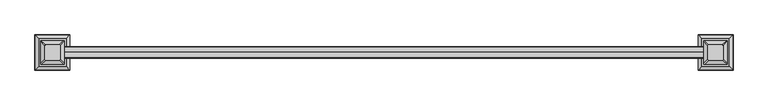
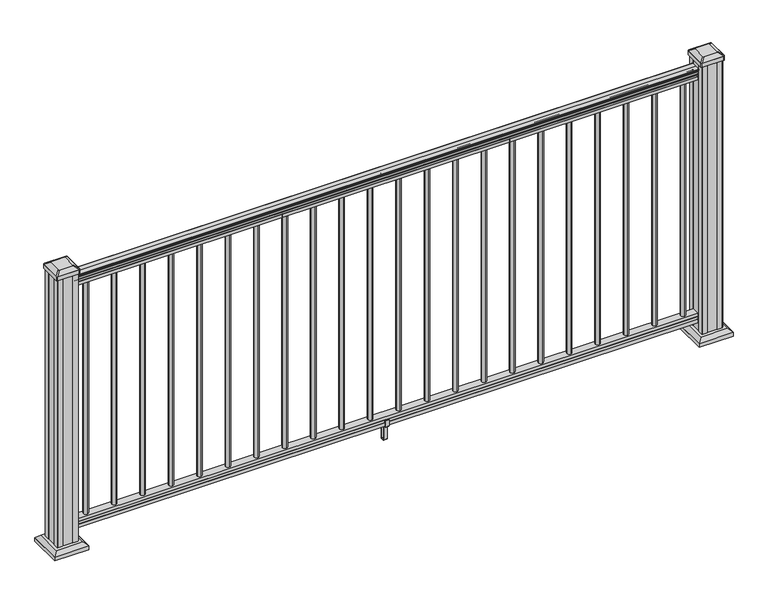
"""IFC4 building model written with IfcOpenShell, lengths in millimetres: railing geometry."""

from ifc_helpers import new_model, si_unit, point, frame, frame_2d, origin, origin_with_axes, place, context, project, spatial, polyline, circle_curve, trimmed, segment, composite_curve, outline, extrude, faceted_brep, source, transform, mapped, element, save
from ifc_brep_helpers import plane_surface, extruded_surface, advanced_brep


def railing_15a88541(model_context):
    return source(origin(), model_context, "Body", "SolidModel", [
        extrude(outline(composite_curve([segment(trimmed(circle_curve(frame_2d((-22197.9771224, 1090.8043297)), 1.2869144), [point((-22196.6902081, 1090.8043297))], [point((-22199.2640368, 1090.8043297))], False, "CARTESIAN"), True, "CONTINUOUS"), segment(polyline([(-22199.2640368, 1090.8043297), (-22199.2640368, 1080.147013), (-22198.2480368, 1079.131013), (-22198.2480368, 1066.8), (-22229.9980368, 1066.8), (-22229.9980368, 1079.2888283), (-22228.9820368, 1080.3048283), (-22228.9820368, 1090.8043297)]), True, "CONTINUOUS"), segment(trimmed(circle_curve(frame_2d((-22230.2689512, 1090.8043297)), 1.2869144), [point((-22228.9820368, 1090.8043297))], [point((-22231.5558656, 1090.8043297))], False, "CARTESIAN"), True, "CONTINUOUS"), segment(polyline([(-22231.5558656, 1090.8043297), (-22231.5558656, 1092.692412)]), True, "CONTINUOUS"), segment(trimmed(circle_curve(frame_2d((-22225.2411123, 1098.4506383)), 8.545951), [point((-22231.5558656, 1092.692412))], [point((-22232.6860518, 1094.2546695))], False, "CARTESIAN"), True, "CONTINUOUS"), segment(trimmed(circle_curve(frame_2d((-22225.6781752, 1097.8636577)), 7.882584), [point((-22232.6860518, 1094.2546695))], [point((-22232.6860518, 1101.4726458))], False, "CARTESIAN"), True, "CONTINUOUS"), segment(trimmed(circle_curve(frame_2d((-22236.1914994, 1103.7112527)), 4.1592695), [point((-22232.6860518, 1101.4726458))], [point((-22232.0367954, 1103.9060812))], True, "CARTESIAN"), True, "CONTINUOUS"), segment(trimmed(circle_curve(frame_2d((-22237.4788059, 1103.6508864)), 5.4479907), [point((-22232.0367954, 1103.9060812))], [point((-22234.5367954, 1108.2362083))], True, "CARTESIAN"), True, "CONTINUOUS"), segment(trimmed(circle_curve(frame_2d((-22236.2456475, 1108.233395)), 1.7088543), [point((-22234.5367954, 1108.2362083))], [point((-22235.9461379, 1109.9157972))], True, "CARTESIAN"), True, "CONTINUOUS"), segment(trimmed(circle_curve(frame_2d((-22234.6287474, 1111.0205318)), 1.7192895), [point((-22235.9461379, 1109.9157972))], [point((-22236.3480369, 1111.0205318))], False, "CARTESIAN"), True, "CONTINUOUS"), segment(polyline([(-22236.3480369, 1111.0205318), (-22236.3480368, 1112.3608158)]), True, "CONTINUOUS"), segment(trimmed(circle_curve(frame_2d((-22234.7945896, 1112.3608158)), 1.5534472), [point((-22236.3480368, 1112.3608158))], [point((-22234.7945896, 1113.914263))], False, "CARTESIAN"), True, "CONTINUOUS"), segment(polyline([(-22234.7945896, 1113.914263), (-22214.1230368, 1113.914263), (-22193.451484, 1113.914263)]), True, "CONTINUOUS"), segment(trimmed(circle_curve(frame_2d((-22193.451484, 1112.3608158)), 1.5534472), [point((-22193.451484, 1113.914263))], [point((-22191.8980368, 1112.3608158))], False, "CARTESIAN"), True, "CONTINUOUS"), segment(polyline([(-22191.8980368, 1112.3608158), (-22191.8980368, 1111.0205318)]), True, "CONTINUOUS"), segment(trimmed(circle_curve(frame_2d((-22193.6173262, 1111.0205318)), 1.7192895), [point((-22191.8980368, 1111.0205318))], [point((-22192.2999357, 1109.9157972))], False, "CARTESIAN"), True, "CONTINUOUS"), segment(trimmed(circle_curve(frame_2d((-22192.0004262, 1108.233395)), 1.7088543), [point((-22192.2999357, 1109.9157972))], [point((-22193.7092782, 1108.2362083))], True, "CARTESIAN"), True, "CONTINUOUS"), segment(trimmed(circle_curve(frame_2d((-22190.7672677, 1103.6508864)), 5.4479907), [point((-22193.7092782, 1108.2362083))], [point((-22196.2092782, 1103.9060812))], True, "CARTESIAN"), True, "CONTINUOUS"), segment(trimmed(circle_curve(frame_2d((-22192.0545743, 1103.7112527)), 4.1592695), [point((-22196.2092782, 1103.9060812))], [point((-22195.5600218, 1101.4726458))], True, "CARTESIAN"), True, "CONTINUOUS"), segment(trimmed(circle_curve(frame_2d((-22202.5678984, 1097.8636577)), 7.882584), [point((-22195.5600218, 1101.4726458))], [point((-22195.5600218, 1094.2546695))], False, "CARTESIAN"), True, "CONTINUOUS"), segment(trimmed(circle_curve(frame_2d((-22203.0049614, 1098.4506383)), 8.545951), [point((-22195.5600218, 1094.2546695))], [point((-22196.6902081, 1092.692412))], False, "CARTESIAN"), True, "CONTINUOUS"), segment(polyline([(-22196.6902081, 1092.692412), (-22196.6902081, 1090.8043297)]), True, "CONTINUOUS")], self_intersect=False)), frame((13259.84856, 0.0, 0.0), z_axis=(1.0, 0.0, 0.0), x_axis=(0.0, 1.0, 0.0)), (0.0, 0.0, 1.0), 2438.4),
        extrude(outline(polyline([(-22198.2105499, 76.0541976), (-22198.2105499, 63.5), (-22229.9605499, 63.5), (-22229.9605499, 76.0375508), (-22228.9445499, 77.3858283), (-22228.9445499, 87.6975248), (-22229.9605499, 89.0458024), (-22229.9605499, 101.5958781), (-22198.2105499, 101.5958781), (-22198.2105499, 89.0624492), (-22199.2265499, 87.7141717), (-22199.2265499, 77.3546183), (-22198.2105499, 76.0541976)])), frame((13259.84856, 0.0, 0.0), z_axis=(1.0, 0.0, 0.0), x_axis=(0.0, 1.0, 0.0)), (0.0, 0.0, 1.0), 2438.4),
        extrude(outline(composite_curve([segment(trimmed(circle_curve(frame_2d((15648.46456, -22214.1230368)), 9.525), [point((15648.46456, -22204.5980368))], [point((15657.98956, -22214.1230368))], False, "CARTESIAN"), True, "CONTINUOUS"), segment(trimmed(circle_curve(frame_2d((15648.46456, -22214.1230368)), 9.525), [point((15657.98956, -22214.1230368))], [point((15648.46456, -22223.6480368))], False, "CARTESIAN"), True, "CONTINUOUS"), segment(trimmed(circle_curve(frame_2d((15648.46456, -22214.1230368)), 9.525), [point((15648.46456, -22223.6480368))], [point((15638.93956, -22214.1230368))], False, "CARTESIAN"), True, "CONTINUOUS"), segment(trimmed(circle_curve(frame_2d((15648.46456, -22214.1230368)), 9.525), [point((15638.93956, -22214.1230368))], [point((15648.46456, -22204.5980368))], False, "CARTESIAN"), True, "CONTINUOUS")], self_intersect=False)), frame((0.0, 0.0, 101.5958781), z_axis=(0.0, 0.0, 1.0), x_axis=(1.0, 0.0, 0.0)), (0.0, 0.0, 1.0), 965.2041219),
        extrude(outline(composite_curve([segment(trimmed(circle_curve(frame_2d((15537.21256, -22214.1230368)), 9.525), [point((15537.21256, -22204.5980368))], [point((15546.73756, -22214.1230368))], False, "CARTESIAN"), True, "CONTINUOUS"), segment(trimmed(circle_curve(frame_2d((15537.21256, -22214.1230368)), 9.525), [point((15546.73756, -22214.1230368))], [point((15537.21256, -22223.6480368))], False, "CARTESIAN"), True, "CONTINUOUS"), segment(trimmed(circle_curve(frame_2d((15537.21256, -22214.1230368)), 9.525), [point((15537.21256, -22223.6480368))], [point((15527.68756, -22214.1230368))], False, "CARTESIAN"), True, "CONTINUOUS"), segment(trimmed(circle_curve(frame_2d((15537.21256, -22214.1230368)), 9.525), [point((15527.68756, -22214.1230368))], [point((15537.21256, -22204.5980368))], False, "CARTESIAN"), True, "CONTINUOUS")], self_intersect=False)), frame((0.0, 0.0, 101.5958781), z_axis=(0.0, 0.0, 1.0), x_axis=(1.0, 0.0, 0.0)), (0.0, 0.0, 1.0), 965.2041219),
        extrude(outline(composite_curve([segment(trimmed(circle_curve(frame_2d((15425.96056, -22214.1230368)), 9.525), [point((15425.96056, -22204.5980368))], [point((15435.48556, -22214.1230368))], False, "CARTESIAN"), True, "CONTINUOUS"), segment(trimmed(circle_curve(frame_2d((15425.96056, -22214.1230368)), 9.525), [point((15435.48556, -22214.1230368))], [point((15425.96056, -22223.6480368))], False, "CARTESIAN"), True, "CONTINUOUS"), segment(trimmed(circle_curve(frame_2d((15425.96056, -22214.1230368)), 9.525), [point((15425.96056, -22223.6480368))], [point((15416.43556, -22214.1230368))], False, "CARTESIAN"), True, "CONTINUOUS"), segment(trimmed(circle_curve(frame_2d((15425.96056, -22214.1230368)), 9.525), [point((15416.43556, -22214.1230368))], [point((15425.96056, -22204.5980368))], False, "CARTESIAN"), True, "CONTINUOUS")], self_intersect=False)), frame((0.0, 0.0, 101.5958781), z_axis=(0.0, 0.0, 1.0), x_axis=(1.0, 0.0, 0.0)), (0.0, 0.0, 1.0), 965.2041219),
        extrude(outline(composite_curve([segment(trimmed(circle_curve(frame_2d((15314.70856, -22214.1230368)), 9.525), [point((15314.70856, -22204.5980368))], [point((15324.23356, -22214.1230368))], False, "CARTESIAN"), True, "CONTINUOUS"), segment(trimmed(circle_curve(frame_2d((15314.70856, -22214.1230368)), 9.525), [point((15324.23356, -22214.1230368))], [point((15314.70856, -22223.6480368))], False, "CARTESIAN"), True, "CONTINUOUS"), segment(trimmed(circle_curve(frame_2d((15314.70856, -22214.1230368)), 9.525), [point((15314.70856, -22223.6480368))], [point((15305.18356, -22214.1230368))], False, "CARTESIAN"), True, "CONTINUOUS"), segment(trimmed(circle_curve(frame_2d((15314.70856, -22214.1230368)), 9.525), [point((15305.18356, -22214.1230368))], [point((15314.70856, -22204.5980368))], False, "CARTESIAN"), True, "CONTINUOUS")], self_intersect=False)), frame((0.0, 0.0, 101.5958781), z_axis=(0.0, 0.0, 1.0), x_axis=(1.0, 0.0, 0.0)), (0.0, 0.0, 1.0), 965.2041219),
        extrude(outline(composite_curve([segment(trimmed(circle_curve(frame_2d((15203.45656, -22214.1230368)), 9.525), [point((15203.45656, -22204.5980368))], [point((15212.98156, -22214.1230368))], False, "CARTESIAN"), True, "CONTINUOUS"), segment(trimmed(circle_curve(frame_2d((15203.45656, -22214.1230368)), 9.525), [point((15212.98156, -22214.1230368))], [point((15203.45656, -22223.6480368))], False, "CARTESIAN"), True, "CONTINUOUS"), segment(trimmed(circle_curve(frame_2d((15203.45656, -22214.1230368)), 9.525), [point((15203.45656, -22223.6480368))], [point((15193.93156, -22214.1230368))], False, "CARTESIAN"), True, "CONTINUOUS"), segment(trimmed(circle_curve(frame_2d((15203.45656, -22214.1230368)), 9.525), [point((15193.93156, -22214.1230368))], [point((15203.45656, -22204.5980368))], False, "CARTESIAN"), True, "CONTINUOUS")], self_intersect=False)), frame((0.0, 0.0, 101.5958781), z_axis=(0.0, 0.0, 1.0), x_axis=(1.0, 0.0, 0.0)), (0.0, 0.0, 1.0), 965.2041219),
        extrude(outline(composite_curve([segment(trimmed(circle_curve(frame_2d((15092.20456, -22214.1230368)), 9.525), [point((15092.20456, -22204.5980368))], [point((15101.72956, -22214.1230368))], False, "CARTESIAN"), True, "CONTINUOUS"), segment(trimmed(circle_curve(frame_2d((15092.20456, -22214.1230368)), 9.525), [point((15101.72956, -22214.1230368))], [point((15092.20456, -22223.6480368))], False, "CARTESIAN"), True, "CONTINUOUS"), segment(trimmed(circle_curve(frame_2d((15092.20456, -22214.1230368)), 9.525), [point((15092.20456, -22223.6480368))], [point((15082.67956, -22214.1230368))], False, "CARTESIAN"), True, "CONTINUOUS"), segment(trimmed(circle_curve(frame_2d((15092.20456, -22214.1230368)), 9.525), [point((15082.67956, -22214.1230368))], [point((15092.20456, -22204.5980368))], False, "CARTESIAN"), True, "CONTINUOUS")], self_intersect=False)), frame((0.0, 0.0, 101.5958781), z_axis=(0.0, 0.0, 1.0), x_axis=(1.0, 0.0, 0.0)), (0.0, 0.0, 1.0), 965.2041219),
        extrude(outline(composite_curve([segment(trimmed(circle_curve(frame_2d((14980.95256, -22214.1230368)), 9.525), [point((14980.95256, -22204.5980368))], [point((14990.47756, -22214.1230368))], False, "CARTESIAN"), True, "CONTINUOUS"), segment(trimmed(circle_curve(frame_2d((14980.95256, -22214.1230368)), 9.525), [point((14990.47756, -22214.1230368))], [point((14980.95256, -22223.6480368))], False, "CARTESIAN"), True, "CONTINUOUS"), segment(trimmed(circle_curve(frame_2d((14980.95256, -22214.1230368)), 9.525), [point((14980.95256, -22223.6480368))], [point((14971.42756, -22214.1230368))], False, "CARTESIAN"), True, "CONTINUOUS"), segment(trimmed(circle_curve(frame_2d((14980.95256, -22214.1230368)), 9.525), [point((14971.42756, -22214.1230368))], [point((14980.95256, -22204.5980368))], False, "CARTESIAN"), True, "CONTINUOUS")], self_intersect=False)), frame((0.0, 0.0, 101.5958781), z_axis=(0.0, 0.0, 1.0), x_axis=(1.0, 0.0, 0.0)), (0.0, 0.0, 1.0), 965.2041219),
        extrude(outline(composite_curve([segment(trimmed(circle_curve(frame_2d((14869.70056, -22214.1230368)), 9.525), [point((14869.70056, -22204.5980368))], [point((14879.22556, -22214.1230368))], False, "CARTESIAN"), True, "CONTINUOUS"), segment(trimmed(circle_curve(frame_2d((14869.70056, -22214.1230368)), 9.525), [point((14879.22556, -22214.1230368))], [point((14869.70056, -22223.6480368))], False, "CARTESIAN"), True, "CONTINUOUS"), segment(trimmed(circle_curve(frame_2d((14869.70056, -22214.1230368)), 9.525), [point((14869.70056, -22223.6480368))], [point((14860.17556, -22214.1230368))], False, "CARTESIAN"), True, "CONTINUOUS"), segment(trimmed(circle_curve(frame_2d((14869.70056, -22214.1230368)), 9.525), [point((14860.17556, -22214.1230368))], [point((14869.70056, -22204.5980368))], False, "CARTESIAN"), True, "CONTINUOUS")], self_intersect=False)), frame((0.0, 0.0, 101.5958781), z_axis=(0.0, 0.0, 1.0), x_axis=(1.0, 0.0, 0.0)), (0.0, 0.0, 1.0), 965.2041219),
        extrude(outline(composite_curve([segment(trimmed(circle_curve(frame_2d((14758.44856, -22214.1230368)), 9.525), [point((14758.44856, -22204.5980368))], [point((14767.97356, -22214.1230368))], False, "CARTESIAN"), True, "CONTINUOUS"), segment(trimmed(circle_curve(frame_2d((14758.44856, -22214.1230368)), 9.525), [point((14767.97356, -22214.1230368))], [point((14758.44856, -22223.6480368))], False, "CARTESIAN"), True, "CONTINUOUS"), segment(trimmed(circle_curve(frame_2d((14758.44856, -22214.1230368)), 9.525), [point((14758.44856, -22223.6480368))], [point((14748.92356, -22214.1230368))], False, "CARTESIAN"), True, "CONTINUOUS"), segment(trimmed(circle_curve(frame_2d((14758.44856, -22214.1230368)), 9.525), [point((14748.92356, -22214.1230368))], [point((14758.44856, -22204.5980368))], False, "CARTESIAN"), True, "CONTINUOUS")], self_intersect=False)), frame((0.0, 0.0, 101.5958781), z_axis=(0.0, 0.0, 1.0), x_axis=(1.0, 0.0, 0.0)), (0.0, 0.0, 1.0), 965.2041219),
        extrude(outline(composite_curve([segment(trimmed(circle_curve(frame_2d((14647.19656, -22214.1230368)), 9.525), [point((14647.19656, -22204.5980368))], [point((14656.72156, -22214.1230368))], False, "CARTESIAN"), True, "CONTINUOUS"), segment(trimmed(circle_curve(frame_2d((14647.19656, -22214.1230368)), 9.525), [point((14656.72156, -22214.1230368))], [point((14647.19656, -22223.6480368))], False, "CARTESIAN"), True, "CONTINUOUS"), segment(trimmed(circle_curve(frame_2d((14647.19656, -22214.1230368)), 9.525), [point((14647.19656, -22223.6480368))], [point((14637.67156, -22214.1230368))], False, "CARTESIAN"), True, "CONTINUOUS"), segment(trimmed(circle_curve(frame_2d((14647.19656, -22214.1230368)), 9.525), [point((14637.67156, -22214.1230368))], [point((14647.19656, -22204.5980368))], False, "CARTESIAN"), True, "CONTINUOUS")], self_intersect=False)), frame((0.0, 0.0, 101.5958781), z_axis=(0.0, 0.0, 1.0), x_axis=(1.0, 0.0, 0.0)), (0.0, 0.0, 1.0), 965.2041219),
        extrude(outline(composite_curve([segment(trimmed(circle_curve(frame_2d((14535.94456, -22214.1230368)), 9.525), [point((14535.94456, -22204.5980368))], [point((14545.46956, -22214.1230368))], False, "CARTESIAN"), True, "CONTINUOUS"), segment(trimmed(circle_curve(frame_2d((14535.94456, -22214.1230368)), 9.525), [point((14545.46956, -22214.1230368))], [point((14535.94456, -22223.6480368))], False, "CARTESIAN"), True, "CONTINUOUS"), segment(trimmed(circle_curve(frame_2d((14535.94456, -22214.1230368)), 9.525), [point((14535.94456, -22223.6480368))], [point((14526.41956, -22214.1230368))], False, "CARTESIAN"), True, "CONTINUOUS"), segment(trimmed(circle_curve(frame_2d((14535.94456, -22214.1230368)), 9.525), [point((14526.41956, -22214.1230368))], [point((14535.94456, -22204.5980368))], False, "CARTESIAN"), True, "CONTINUOUS")], self_intersect=False)), frame((0.0, 0.0, 101.5958781), z_axis=(0.0, 0.0, 1.0), x_axis=(1.0, 0.0, 0.0)), (0.0, 0.0, 1.0), 965.2041219),
        extrude(outline(polyline([(-22232.2840356, 88.7203979), (-22230.252036, 88.7203979), (-22229.2360363, 87.7043953), (-22229.2360363, 77.2686081), (-22230.252036, 76.2526073), (-22230.252036, 64.262001), (-22229.4900369, 63.5000019), (-22198.7560358, 63.5000019), (-22197.9940366, 64.262001), (-22197.9940366, 76.2526073), (-22199.0100364, 77.2686081), (-22199.0100364, 87.7043953), (-22197.9940366, 88.7203979), (-22195.962037, 88.7203979), (-22195.200036, 87.9583969), (-22195.200036, 61.4680023), (-22195.962037, 60.7060013), (-22205.9950361, 60.7060013), (-22206.7570362, 59.9440012), (-22206.7570362, 0.762001), (-22207.5190372, 0.0), (-22220.7270364, 0.0), (-22221.4890365, 0.7620001), (-22221.4890365, 59.9440012), (-22222.2510366, 60.7060013), (-22232.2840356, 60.7060013), (-22233.0460367, 61.4680023), (-22233.0460367, 87.9583969), (-22232.2840356, 88.7203979)]), holes=[polyline([(-22210.6940364, 60.7060013), (-22217.5520362, 60.7060013), (-22218.3140363, 59.9440012), (-22218.3140363, 3.9370003), (-22217.5520391, 3.1750031), (-22210.6940364, 3.1750031), (-22209.9320363, 3.9370031), (-22209.9320363, 59.9440012), (-22210.6940364, 60.7060013)])]), frame((14472.95256, 0.0, 0.0), z_axis=(1.0, 0.0, 0.0), x_axis=(0.0, 1.0, 0.0)), (0.0, 0.0, 1.0), 14.732),
        extrude(outline(composite_curve([segment(trimmed(circle_curve(frame_2d((14424.69256, -22214.1230368)), 9.525), [point((14424.69256, -22204.5980368))], [point((14434.21756, -22214.1230368))], False, "CARTESIAN"), True, "CONTINUOUS"), segment(trimmed(circle_curve(frame_2d((14424.69256, -22214.1230368)), 9.525), [point((14434.21756, -22214.1230368))], [point((14424.69256, -22223.6480368))], False, "CARTESIAN"), True, "CONTINUOUS"), segment(trimmed(circle_curve(frame_2d((14424.69256, -22214.1230368)), 9.525), [point((14424.69256, -22223.6480368))], [point((14415.16756, -22214.1230368))], False, "CARTESIAN"), True, "CONTINUOUS"), segment(trimmed(circle_curve(frame_2d((14424.69256, -22214.1230368)), 9.525), [point((14415.16756, -22214.1230368))], [point((14424.69256, -22204.5980368))], False, "CARTESIAN"), True, "CONTINUOUS")], self_intersect=False)), frame((0.0, 0.0, 101.5958781), z_axis=(0.0, 0.0, 1.0), x_axis=(1.0, 0.0, 0.0)), (0.0, 0.0, 1.0), 965.2041219),
        extrude(outline(composite_curve([segment(trimmed(circle_curve(frame_2d((14313.44056, -22214.1230368)), 9.525), [point((14313.44056, -22204.5980368))], [point((14322.96556, -22214.1230368))], False, "CARTESIAN"), True, "CONTINUOUS"), segment(trimmed(circle_curve(frame_2d((14313.44056, -22214.1230368)), 9.525), [point((14322.96556, -22214.1230368))], [point((14313.44056, -22223.6480368))], False, "CARTESIAN"), True, "CONTINUOUS"), segment(trimmed(circle_curve(frame_2d((14313.44056, -22214.1230368)), 9.525), [point((14313.44056, -22223.6480368))], [point((14303.91556, -22214.1230368))], False, "CARTESIAN"), True, "CONTINUOUS"), segment(trimmed(circle_curve(frame_2d((14313.44056, -22214.1230368)), 9.525), [point((14303.91556, -22214.1230368))], [point((14313.44056, -22204.5980368))], False, "CARTESIAN"), True, "CONTINUOUS")], self_intersect=False)), frame((0.0, 0.0, 101.5958781), z_axis=(0.0, 0.0, 1.0), x_axis=(1.0, 0.0, 0.0)), (0.0, 0.0, 1.0), 965.2041219),
        extrude(outline(composite_curve([segment(trimmed(circle_curve(frame_2d((14202.18856, -22214.1230368)), 9.525), [point((14202.18856, -22204.5980368))], [point((14211.71356, -22214.1230368))], False, "CARTESIAN"), True, "CONTINUOUS"), segment(trimmed(circle_curve(frame_2d((14202.18856, -22214.1230368)), 9.525), [point((14211.71356, -22214.1230368))], [point((14202.18856, -22223.6480368))], False, "CARTESIAN"), True, "CONTINUOUS"), segment(trimmed(circle_curve(frame_2d((14202.18856, -22214.1230368)), 9.525), [point((14202.18856, -22223.6480368))], [point((14192.66356, -22214.1230368))], False, "CARTESIAN"), True, "CONTINUOUS"), segment(trimmed(circle_curve(frame_2d((14202.18856, -22214.1230368)), 9.525), [point((14192.66356, -22214.1230368))], [point((14202.18856, -22204.5980368))], False, "CARTESIAN"), True, "CONTINUOUS")], self_intersect=False)), frame((0.0, 0.0, 101.5958781), z_axis=(0.0, 0.0, 1.0), x_axis=(1.0, 0.0, 0.0)), (0.0, 0.0, 1.0), 965.2041219),
        extrude(outline(composite_curve([segment(trimmed(circle_curve(frame_2d((14090.93656, -22214.1230368)), 9.525), [point((14090.93656, -22204.5980368))], [point((14100.46156, -22214.1230368))], False, "CARTESIAN"), True, "CONTINUOUS"), segment(trimmed(circle_curve(frame_2d((14090.93656, -22214.1230368)), 9.525), [point((14100.46156, -22214.1230368))], [point((14090.93656, -22223.6480368))], False, "CARTESIAN"), True, "CONTINUOUS"), segment(trimmed(circle_curve(frame_2d((14090.93656, -22214.1230368)), 9.525), [point((14090.93656, -22223.6480368))], [point((14081.41156, -22214.1230368))], False, "CARTESIAN"), True, "CONTINUOUS"), segment(trimmed(circle_curve(frame_2d((14090.93656, -22214.1230368)), 9.525), [point((14081.41156, -22214.1230368))], [point((14090.93656, -22204.5980368))], False, "CARTESIAN"), True, "CONTINUOUS")], self_intersect=False)), frame((0.0, 0.0, 101.5958781), z_axis=(0.0, 0.0, 1.0), x_axis=(1.0, 0.0, 0.0)), (0.0, 0.0, 1.0), 965.2041219),
        extrude(outline(composite_curve([segment(trimmed(circle_curve(frame_2d((13979.68456, -22214.1230368)), 9.525), [point((13979.68456, -22204.5980368))], [point((13989.20956, -22214.1230368))], False, "CARTESIAN"), True, "CONTINUOUS"), segment(trimmed(circle_curve(frame_2d((13979.68456, -22214.1230368)), 9.525), [point((13989.20956, -22214.1230368))], [point((13979.68456, -22223.6480368))], False, "CARTESIAN"), True, "CONTINUOUS"), segment(trimmed(circle_curve(frame_2d((13979.68456, -22214.1230368)), 9.525), [point((13979.68456, -22223.6480368))], [point((13970.15956, -22214.1230368))], False, "CARTESIAN"), True, "CONTINUOUS"), segment(trimmed(circle_curve(frame_2d((13979.68456, -22214.1230368)), 9.525), [point((13970.15956, -22214.1230368))], [point((13979.68456, -22204.5980368))], False, "CARTESIAN"), True, "CONTINUOUS")], self_intersect=False)), frame((0.0, 0.0, 101.5958781), z_axis=(0.0, 0.0, 1.0), x_axis=(1.0, 0.0, 0.0)), (0.0, 0.0, 1.0), 965.2041219),
        extrude(outline(composite_curve([segment(trimmed(circle_curve(frame_2d((13868.43256, -22214.1230368)), 9.525), [point((13868.43256, -22204.5980368))], [point((13877.95756, -22214.1230368))], False, "CARTESIAN"), True, "CONTINUOUS"), segment(trimmed(circle_curve(frame_2d((13868.43256, -22214.1230368)), 9.525), [point((13877.95756, -22214.1230368))], [point((13868.43256, -22223.6480368))], False, "CARTESIAN"), True, "CONTINUOUS"), segment(trimmed(circle_curve(frame_2d((13868.43256, -22214.1230368)), 9.525), [point((13868.43256, -22223.6480368))], [point((13858.90756, -22214.1230368))], False, "CARTESIAN"), True, "CONTINUOUS"), segment(trimmed(circle_curve(frame_2d((13868.43256, -22214.1230368)), 9.525), [point((13858.90756, -22214.1230368))], [point((13868.43256, -22204.5980368))], False, "CARTESIAN"), True, "CONTINUOUS")], self_intersect=False)), frame((0.0, 0.0, 101.5958781), z_axis=(0.0, 0.0, 1.0), x_axis=(1.0, 0.0, 0.0)), (0.0, 0.0, 1.0), 965.2041219),
        extrude(outline(composite_curve([segment(trimmed(circle_curve(frame_2d((13757.18056, -22214.1230368)), 9.525), [point((13757.18056, -22204.5980368))], [point((13766.70556, -22214.1230368))], False, "CARTESIAN"), True, "CONTINUOUS"), segment(trimmed(circle_curve(frame_2d((13757.18056, -22214.1230368)), 9.525), [point((13766.70556, -22214.1230368))], [point((13757.18056, -22223.6480368))], False, "CARTESIAN"), True, "CONTINUOUS"), segment(trimmed(circle_curve(frame_2d((13757.18056, -22214.1230368)), 9.525), [point((13757.18056, -22223.6480368))], [point((13747.65556, -22214.1230368))], False, "CARTESIAN"), True, "CONTINUOUS"), segment(trimmed(circle_curve(frame_2d((13757.18056, -22214.1230368)), 9.525), [point((13747.65556, -22214.1230368))], [point((13757.18056, -22204.5980368))], False, "CARTESIAN"), True, "CONTINUOUS")], self_intersect=False)), frame((0.0, 0.0, 101.5958781), z_axis=(0.0, 0.0, 1.0), x_axis=(1.0, 0.0, 0.0)), (0.0, 0.0, 1.0), 965.2041219),
        extrude(outline(composite_curve([segment(trimmed(circle_curve(frame_2d((13645.92856, -22214.1230368)), 9.525), [point((13645.92856, -22204.5980368))], [point((13655.45356, -22214.1230368))], False, "CARTESIAN"), True, "CONTINUOUS"), segment(trimmed(circle_curve(frame_2d((13645.92856, -22214.1230368)), 9.525), [point((13655.45356, -22214.1230368))], [point((13645.92856, -22223.6480368))], False, "CARTESIAN"), True, "CONTINUOUS"), segment(trimmed(circle_curve(frame_2d((13645.92856, -22214.1230368)), 9.525), [point((13645.92856, -22223.6480368))], [point((13636.40356, -22214.1230368))], False, "CARTESIAN"), True, "CONTINUOUS"), segment(trimmed(circle_curve(frame_2d((13645.92856, -22214.1230368)), 9.525), [point((13636.40356, -22214.1230368))], [point((13645.92856, -22204.5980368))], False, "CARTESIAN"), True, "CONTINUOUS")], self_intersect=False)), frame((0.0, 0.0, 101.5958781), z_axis=(0.0, 0.0, 1.0), x_axis=(1.0, 0.0, 0.0)), (0.0, 0.0, 1.0), 965.2041219),
        extrude(outline(composite_curve([segment(trimmed(circle_curve(frame_2d((13534.67656, -22214.1230368)), 9.525), [point((13534.67656, -22204.5980368))], [point((13544.20156, -22214.1230368))], False, "CARTESIAN"), True, "CONTINUOUS"), segment(trimmed(circle_curve(frame_2d((13534.67656, -22214.1230368)), 9.525), [point((13544.20156, -22214.1230368))], [point((13534.67656, -22223.6480368))], False, "CARTESIAN"), True, "CONTINUOUS"), segment(trimmed(circle_curve(frame_2d((13534.67656, -22214.1230368)), 9.525), [point((13534.67656, -22223.6480368))], [point((13525.15156, -22214.1230368))], False, "CARTESIAN"), True, "CONTINUOUS"), segment(trimmed(circle_curve(frame_2d((13534.67656, -22214.1230368)), 9.525), [point((13525.15156, -22214.1230368))], [point((13534.67656, -22204.5980368))], False, "CARTESIAN"), True, "CONTINUOUS")], self_intersect=False)), frame((0.0, 0.0, 101.5958781), z_axis=(0.0, 0.0, 1.0), x_axis=(1.0, 0.0, 0.0)), (0.0, 0.0, 1.0), 965.2041219),
        extrude(outline(composite_curve([segment(trimmed(circle_curve(frame_2d((13423.42456, -22214.1230368)), 9.525), [point((13423.42456, -22204.5980368))], [point((13432.94956, -22214.1230368))], False, "CARTESIAN"), True, "CONTINUOUS"), segment(trimmed(circle_curve(frame_2d((13423.42456, -22214.1230368)), 9.525), [point((13432.94956, -22214.1230368))], [point((13423.42456, -22223.6480368))], False, "CARTESIAN"), True, "CONTINUOUS"), segment(trimmed(circle_curve(frame_2d((13423.42456, -22214.1230368)), 9.525), [point((13423.42456, -22223.6480368))], [point((13413.89956, -22214.1230368))], False, "CARTESIAN"), True, "CONTINUOUS"), segment(trimmed(circle_curve(frame_2d((13423.42456, -22214.1230368)), 9.525), [point((13413.89956, -22214.1230368))], [point((13423.42456, -22204.5980368))], False, "CARTESIAN"), True, "CONTINUOUS")], self_intersect=False)), frame((0.0, 0.0, 101.5958781), z_axis=(0.0, 0.0, 1.0), x_axis=(1.0, 0.0, 0.0)), (0.0, 0.0, 1.0), 965.2041219),
        extrude(outline(composite_curve([segment(trimmed(circle_curve(frame_2d((13312.17256, -22214.1230368)), 9.525), [point((13312.17256, -22204.5980368))], [point((13321.69756, -22214.1230368))], False, "CARTESIAN"), True, "CONTINUOUS"), segment(trimmed(circle_curve(frame_2d((13312.17256, -22214.1230368)), 9.525), [point((13321.69756, -22214.1230368))], [point((13312.17256, -22223.6480368))], False, "CARTESIAN"), True, "CONTINUOUS"), segment(trimmed(circle_curve(frame_2d((13312.17256, -22214.1230368)), 9.525), [point((13312.17256, -22223.6480368))], [point((13302.64756, -22214.1230368))], False, "CARTESIAN"), True, "CONTINUOUS"), segment(trimmed(circle_curve(frame_2d((13312.17256, -22214.1230368)), 9.525), [point((13302.64756, -22214.1230368))], [point((13312.17256, -22204.5980368))], False, "CARTESIAN"), True, "CONTINUOUS")], self_intersect=False)), frame((0.0, 0.0, 101.5958781), z_axis=(0.0, 0.0, 1.0), x_axis=(1.0, 0.0, 0.0)), (0.0, 0.0, 1.0), 965.2041219),
        faceted_brep([(15687.0646225, -22161.5370993, 28.575), (15687.0646225, -22266.7089743, 28.575), (15792.2364975, -22266.7089743, 28.575), (15792.2364975, -22161.5370993, 28.575), (15673.0251694, -22147.4976462, 15.24), (15806.2759507, -22147.4976462, 15.24), (15806.2759507, -22280.7484274, 15.24), (15673.0251694, -22280.7484274, 15.24)], [[[0, 1, 2, 3]], [[4, 5, 6, 7]], [[4, 7, 1, 0]], [[7, 6, 2, 1]], [[6, 5, 3, 2]], [[5, 4, 0, 3]]]),
        extrude(outline(polyline([(15673.0251694, -22147.4976462), (15806.2759507, -22147.4976462), (15806.2759507, -22280.7484274), (15673.0251694, -22280.7484274), (15673.0251694, -22147.4976462)])), origin_with_axes(), (0.0, 0.0, 1.0), 15.24),
        advanced_brep(
        [(15710.678685, -22239.9199118, 1165.225), (15713.853685, -22243.0949118, 1165.225), (15765.447435, -22243.0949118, 1165.225), (15768.622435, -22239.9199118, 1165.225), (15768.622435, -22188.3261618, 1165.225), (15765.447435, -22185.1511618, 1165.225), (15713.853685, -22185.1511618, 1165.225), (15710.678685, -22188.3261618, 1165.225), (15694.40681, -22256.1917868, 1153.922), (15694.40681, -22172.0542868, 1153.922), (15697.58181, -22168.8792868, 1153.922), (15781.71931, -22168.8792868, 1153.922), (15784.89431, -22172.0542868, 1153.922), (15784.89431, -22256.1917868, 1153.922), (15781.71931, -22259.3667868, 1153.922), (15697.58181, -22259.3667868, 1153.922)],
        [
            (0, 1, circle_curve(frame((15713.853685, -22239.9199118, 1165.225), z_axis=(0.0, 0.0, 1.0), x_axis=(1.0, 0.0, 0.0)), 3.175)),
            (1, 2),
            (2, 3, circle_curve(frame((15765.447435, -22239.9199118, 1165.225), z_axis=(0.0, 0.0, 1.0), x_axis=(1.0, 0.0, 0.0)), 3.175)),
            (3, 4),
            (4, 5, circle_curve(frame((15765.447435, -22188.3261618, 1165.225), z_axis=(0.0, 0.0, 1.0), x_axis=(1.0, 0.0, 0.0)), 3.175)),
            (5, 6),
            (6, 7, circle_curve(frame((15713.853685, -22188.3261618, 1165.225), z_axis=(0.0, 0.0, 1.0), x_axis=(1.0, 0.0, 0.0)), 3.175)),
            (7, 0),
            (8, 9),
            (9, 10, circle_curve(frame((15697.58181, -22172.0542868, 1153.922), z_axis=(0.0, 0.0, -1.0), x_axis=(1.0, 0.0, 0.0)), 3.175)),
            (10, 11),
            (11, 12, circle_curve(frame((15781.71931, -22172.0542868, 1153.922), z_axis=(0.0, 0.0, -1.0), x_axis=(1.0, 0.0, 0.0)), 3.175)),
            (12, 13),
            (13, 14, circle_curve(frame((15781.71931, -22256.1917868, 1153.922), z_axis=(0.0, 0.0, -1.0), x_axis=(1.0, 0.0, 0.0)), 3.175)),
            (14, 15),
            (15, 8, circle_curve(frame((15697.58181, -22256.1917868, 1153.922), z_axis=(0.0, 0.0, -1.0), x_axis=(1.0, 0.0, 0.0)), 3.175)),
            (15, 1),
            (0, 8),
            (14, 2),
            (13, 3),
            (12, 4),
            (11, 5),
            (10, 6),
            (9, 7),
        ],
        [
            plane_surface(frame((15739.65056, -22214.1230368, 1165.225), z_axis=(0.0, 0.0, 1.0), x_axis=(0.0, -1.0, 0.0))),
            plane_surface(frame((15739.65056, -22214.1230368, 1153.922), z_axis=(0.0, 0.0, -1.0), x_axis=(0.0, -1.0, 0.0))),
            extruded_surface(trimmed(circle_curve(frame((15697.58181, -22256.1917868, 1153.922), z_axis=(0.0, 0.0, 1.0), x_axis=(1.0, 0.0, 0.0)), 3.175), [point((15694.40681, -22256.1917868, 1153.922))], [point((15697.58181, -22259.3667868, 1153.922))], True, "CARTESIAN"), (16.271875000000364, 16.271874999998545, 11.302999999999884), 25.63797263886542),
            plane_surface(frame((15739.65056, -22259.3667868, 1153.922), z_axis=(0.0, -0.5705009161540777, 0.8212969649690409), x_axis=(1.0, 0.0, 0.0))),
            extruded_surface(trimmed(circle_curve(frame((15781.71931, -22256.1917868, 1153.922), z_axis=(0.0, 0.0, 1.0), x_axis=(1.0, 0.0, 0.0)), 3.175), [point((15781.71931, -22259.3667868, 1153.922))], [point((15784.89431, -22256.1917868, 1153.922))], True, "CARTESIAN"), (-16.271875000000364, 16.271874999998545, 11.302999999999884), 25.63797263886542),
            plane_surface(frame((15784.89431, -22214.1230368, 1153.922), z_axis=(0.5705009161540291, 0.0, 0.8212969649690747), x_axis=(0.0, 1.0, 0.0))),
            extruded_surface(trimmed(circle_curve(frame((15781.71931, -22172.0542868, 1153.922), z_axis=(0.0, 0.0, 1.0), x_axis=(1.0, 0.0, 0.0)), 3.175), [point((15784.89431, -22172.0542868, 1153.922))], [point((15781.71931, -22168.8792868, 1153.922))], True, "CARTESIAN"), (-16.271875000000364, -16.271874999998545, 11.302999999999884), 25.63797263886542),
            plane_surface(frame((15739.65056, -22168.8792868, 1153.922), z_axis=(0.0, 0.5705009161540143, 0.821296964969085), x_axis=(-1.0, 0.0, 0.0))),
            extruded_surface(trimmed(circle_curve(frame((15697.58181, -22172.0542868, 1153.922), z_axis=(0.0, 0.0, 1.0), x_axis=(1.0, 0.0, 0.0)), 3.175), [point((15697.58181, -22168.8792868, 1153.922))], [point((15694.40681, -22172.0542868, 1153.922))], True, "CARTESIAN"), (16.271875000000364, -16.271874999998545, 11.302999999999884), 25.63797263886542),
            plane_surface(frame((15694.40681, -22214.1230368, 1153.922), z_axis=(-0.570500916154034, 0.0, 0.8212969649690713), x_axis=(0.0, -1.0, 0.0))),
        ],
        [
            (0, [[1, 2, 3, 4, 5, 6, 7, 8]]),
            (1, [[9, 10, 11, 12, 13, 14, 15, 16]]),
            (2, [[-16, 17, -1, 18]]),
            (3, [[-15, 19, -2, -17]]),
            (4, [[-14, 20, -3, -19]]),
            (5, [[-13, 21, -4, -20]]),
            (6, [[-12, 22, -5, -21]]),
            (7, [[-11, 23, -6, -22]]),
            (8, [[-10, 24, -7, -23]]),
            (9, [[-9, -18, -8, -24]]),
        ],
    ),
        extrude(outline(composite_curve([segment(polyline([(15694.40681, -22256.1917868), (15694.40681, -22172.0542868)]), True, "CONTINUOUS"), segment(trimmed(circle_curve(frame_2d((15697.58181, -22172.0542868)), 3.175), [point((15694.40681, -22172.0542868))], [point((15697.58181, -22168.8792868))], False, "CARTESIAN"), True, "CONTINUOUS"), segment(polyline([(15697.58181, -22168.8792868), (15781.71931, -22168.8792868)]), True, "CONTINUOUS"), segment(trimmed(circle_curve(frame_2d((15781.71931, -22172.0542868)), 3.175), [point((15781.71931, -22168.8792868))], [point((15784.89431, -22172.0542868))], False, "CARTESIAN"), True, "CONTINUOUS"), segment(polyline([(15784.89431, -22172.0542868), (15784.89431, -22256.1917868)]), True, "CONTINUOUS"), segment(trimmed(circle_curve(frame_2d((15781.71931, -22256.1917868)), 3.175), [point((15784.89431, -22256.1917868))], [point((15781.71931, -22259.3667868))], False, "CARTESIAN"), True, "CONTINUOUS"), segment(polyline([(15781.71931, -22259.3667868), (15697.58181, -22259.3667868)]), True, "CONTINUOUS"), segment(trimmed(circle_curve(frame_2d((15697.58181, -22256.1917868)), 3.175), [point((15697.58181, -22259.3667868))], [point((15694.40681, -22256.1917868))], False, "CARTESIAN"), True, "CONTINUOUS")], self_intersect=False)), frame((0.0, 0.0, 1136.65), z_axis=(0.0, 0.0, 1.0), x_axis=(1.0, 0.0, 0.0)), (0.0, 0.0, 1.0), 17.272),
        extrude(outline(polyline([(15698.37556, -22253.8105368), (15698.37556, -22234.1890368), (15699.96306, -22233.4270368), (15699.96306, -22194.8190368), (15698.37556, -22194.0570368), (15698.37556, -22174.4355368), (15699.96306, -22172.8480368), (15719.58456, -22172.8480368), (15720.34656, -22174.4355368), (15758.95456, -22174.4355368), (15759.71656, -22172.8480368), (15779.33806, -22172.8480368), (15780.92556, -22174.4355368), (15780.92556, -22194.0570368), (15779.33806, -22194.8190368), (15779.33806, -22233.4270368), (15780.92556, -22234.1890368), (15780.92556, -22253.8105368), (15779.33806, -22255.3980368), (15759.71656, -22255.3980368), (15758.95456, -22253.8105368), (15720.34656, -22253.8105368), (15719.58456, -22255.3980368), (15699.96306, -22255.3980368), (15698.37556, -22253.8105368)])), origin_with_axes(), (0.0, 0.0, 1.0), 1136.65),
        faceted_brep([(13165.8606225, -22161.5370993, 28.575), (13165.8606225, -22266.7089743, 28.575), (13271.0324975, -22266.7089743, 28.575), (13271.0324975, -22161.5370993, 28.575), (13151.8211694, -22147.4976462, 15.24), (13285.0719507, -22147.4976462, 15.24), (13285.0719507, -22280.7484274, 15.24), (13151.8211694, -22280.7484274, 15.24)], [[[0, 1, 2, 3]], [[4, 5, 6, 7]], [[4, 7, 1, 0]], [[7, 6, 2, 1]], [[6, 5, 3, 2]], [[5, 4, 0, 3]]]),
        extrude(outline(polyline([(13151.8211694, -22147.4976462), (13285.0719507, -22147.4976462), (13285.0719507, -22280.7484274), (13151.8211694, -22280.7484274), (13151.8211694, -22147.4976462)])), origin_with_axes(), (0.0, 0.0, 1.0), 15.24),
        advanced_brep(
        [(13189.474685, -22239.9199118, 1165.225), (13192.649685, -22243.0949118, 1165.225), (13244.243435, -22243.0949118, 1165.225), (13247.418435, -22239.9199118, 1165.225), (13247.418435, -22188.3261618, 1165.225), (13244.243435, -22185.1511618, 1165.225), (13192.649685, -22185.1511618, 1165.225), (13189.474685, -22188.3261618, 1165.225), (13173.20281, -22256.1917868, 1153.922), (13173.20281, -22172.0542868, 1153.922), (13176.37781, -22168.8792868, 1153.922), (13260.51531, -22168.8792868, 1153.922), (13263.69031, -22172.0542868, 1153.922), (13263.69031, -22256.1917868, 1153.922), (13260.51531, -22259.3667868, 1153.922), (13176.37781, -22259.3667868, 1153.922)],
        [
            (0, 1, circle_curve(frame((13192.649685, -22239.9199118, 1165.225), z_axis=(0.0, 0.0, 1.0), x_axis=(1.0, 0.0, 0.0)), 3.175)),
            (1, 2),
            (2, 3, circle_curve(frame((13244.243435, -22239.9199118, 1165.225), z_axis=(0.0, 0.0, 1.0), x_axis=(1.0, 0.0, 0.0)), 3.175)),
            (3, 4),
            (4, 5, circle_curve(frame((13244.243435, -22188.3261618, 1165.225), z_axis=(0.0, 0.0, 1.0), x_axis=(1.0, 0.0, 0.0)), 3.175)),
            (5, 6),
            (6, 7, circle_curve(frame((13192.649685, -22188.3261618, 1165.225), z_axis=(0.0, 0.0, 1.0), x_axis=(1.0, 0.0, 0.0)), 3.175)),
            (7, 0),
            (8, 9),
            (9, 10, circle_curve(frame((13176.37781, -22172.0542868, 1153.922), z_axis=(0.0, 0.0, -1.0), x_axis=(1.0, 0.0, 0.0)), 3.175)),
            (10, 11),
            (11, 12, circle_curve(frame((13260.51531, -22172.0542868, 1153.922), z_axis=(0.0, 0.0, -1.0), x_axis=(1.0, 0.0, 0.0)), 3.175)),
            (12, 13),
            (13, 14, circle_curve(frame((13260.51531, -22256.1917868, 1153.922), z_axis=(0.0, 0.0, -1.0), x_axis=(1.0, 0.0, 0.0)), 3.175)),
            (14, 15),
            (15, 8, circle_curve(frame((13176.37781, -22256.1917868, 1153.922), z_axis=(0.0, 0.0, -1.0), x_axis=(1.0, 0.0, 0.0)), 3.175)),
            (15, 1),
            (0, 8),
            (14, 2),
            (13, 3),
            (12, 4),
            (11, 5),
            (10, 6),
            (9, 7),
        ],
        [
            plane_surface(frame((13218.44656, -22214.1230368, 1165.225), z_axis=(0.0, 0.0, 1.0), x_axis=(0.0, -1.0, 0.0))),
            plane_surface(frame((13218.44656, -22214.1230368, 1153.922), z_axis=(0.0, 0.0, -1.0), x_axis=(0.0, -1.0, 0.0))),
            extruded_surface(trimmed(circle_curve(frame((13176.37781, -22256.1917868, 1153.922), z_axis=(0.0, 0.0, 1.0), x_axis=(1.0, 0.0, 0.0)), 3.175), [point((13173.20281, -22256.1917868, 1153.922))], [point((13176.37781, -22259.3667868, 1153.922))], True, "CARTESIAN"), (16.271875000000364, 16.271874999998545, 11.302999999999884), 25.63797263886542),
            plane_surface(frame((13218.44656, -22259.3667868, 1153.922), z_axis=(0.0, -0.5705009161540777, 0.8212969649690409), x_axis=(1.0, 0.0, 0.0))),
            extruded_surface(trimmed(circle_curve(frame((13260.51531, -22256.1917868, 1153.922), z_axis=(0.0, 0.0, 1.0), x_axis=(1.0, 0.0, 0.0)), 3.175), [point((13260.51531, -22259.3667868, 1153.922))], [point((13263.69031, -22256.1917868, 1153.922))], True, "CARTESIAN"), (-16.271875000000364, 16.271874999998545, 11.302999999999884), 25.63797263886542),
            plane_surface(frame((13263.69031, -22214.1230368, 1153.922), z_axis=(0.5705009161540291, 0.0, 0.8212969649690747), x_axis=(0.0, 1.0, 0.0))),
            extruded_surface(trimmed(circle_curve(frame((13260.51531, -22172.0542868, 1153.922), z_axis=(0.0, 0.0, 1.0), x_axis=(1.0, 0.0, 0.0)), 3.175), [point((13263.69031, -22172.0542868, 1153.922))], [point((13260.51531, -22168.8792868, 1153.922))], True, "CARTESIAN"), (-16.271875000000364, -16.271874999998545, 11.302999999999884), 25.63797263886542),
            plane_surface(frame((13218.44656, -22168.8792868, 1153.922), z_axis=(0.0, 0.5705009161540143, 0.821296964969085), x_axis=(-1.0, 0.0, 0.0))),
            extruded_surface(trimmed(circle_curve(frame((13176.37781, -22172.0542868, 1153.922), z_axis=(0.0, 0.0, 1.0), x_axis=(1.0, 0.0, 0.0)), 3.175), [point((13176.37781, -22168.8792868, 1153.922))], [point((13173.20281, -22172.0542868, 1153.922))], True, "CARTESIAN"), (16.271875000000364, -16.271874999998545, 11.302999999999884), 25.63797263886542),
            plane_surface(frame((13173.20281, -22214.1230368, 1153.922), z_axis=(-0.570500916154034, 0.0, 0.8212969649690713), x_axis=(0.0, -1.0, 0.0))),
        ],
        [
            (0, [[1, 2, 3, 4, 5, 6, 7, 8]]),
            (1, [[9, 10, 11, 12, 13, 14, 15, 16]]),
            (2, [[-16, 17, -1, 18]]),
            (3, [[-15, 19, -2, -17]]),
            (4, [[-14, 20, -3, -19]]),
            (5, [[-13, 21, -4, -20]]),
            (6, [[-12, 22, -5, -21]]),
            (7, [[-11, 23, -6, -22]]),
            (8, [[-10, 24, -7, -23]]),
            (9, [[-9, -18, -8, -24]]),
        ],
    ),
        extrude(outline(composite_curve([segment(polyline([(13173.20281, -22256.1917868), (13173.20281, -22172.0542868)]), True, "CONTINUOUS"), segment(trimmed(circle_curve(frame_2d((13176.37781, -22172.0542868)), 3.175), [point((13173.20281, -22172.0542868))], [point((13176.37781, -22168.8792868))], False, "CARTESIAN"), True, "CONTINUOUS"), segment(polyline([(13176.37781, -22168.8792868), (13260.51531, -22168.8792868)]), True, "CONTINUOUS"), segment(trimmed(circle_curve(frame_2d((13260.51531, -22172.0542868)), 3.175), [point((13260.51531, -22168.8792868))], [point((13263.69031, -22172.0542868))], False, "CARTESIAN"), True, "CONTINUOUS"), segment(polyline([(13263.69031, -22172.0542868), (13263.69031, -22256.1917868)]), True, "CONTINUOUS"), segment(trimmed(circle_curve(frame_2d((13260.51531, -22256.1917868)), 3.175), [point((13263.69031, -22256.1917868))], [point((13260.51531, -22259.3667868))], False, "CARTESIAN"), True, "CONTINUOUS"), segment(polyline([(13260.51531, -22259.3667868), (13176.37781, -22259.3667868)]), True, "CONTINUOUS"), segment(trimmed(circle_curve(frame_2d((13176.37781, -22256.1917868)), 3.175), [point((13176.37781, -22259.3667868))], [point((13173.20281, -22256.1917868))], False, "CARTESIAN"), True, "CONTINUOUS")], self_intersect=False)), frame((0.0, 0.0, 1136.65), z_axis=(0.0, 0.0, 1.0), x_axis=(1.0, 0.0, 0.0)), (0.0, 0.0, 1.0), 17.272),
        extrude(outline(polyline([(13177.17156, -22253.8105368), (13177.17156, -22234.1890368), (13178.75906, -22233.4270368), (13178.75906, -22194.8190368), (13177.17156, -22194.0570368), (13177.17156, -22174.4355368), (13178.75906, -22172.8480368), (13198.38056, -22172.8480368), (13199.14256, -22174.4355368), (13237.75056, -22174.4355368), (13238.51256, -22172.8480368), (13258.13406, -22172.8480368), (13259.72156, -22174.4355368), (13259.72156, -22194.0570368), (13258.13406, -22194.8190368), (13258.13406, -22233.4270368), (13259.72156, -22234.1890368), (13259.72156, -22253.8105368), (13258.13406, -22255.3980368), (13238.51256, -22255.3980368), (13237.75056, -22253.8105368), (13199.14256, -22253.8105368), (13198.38056, -22255.3980368), (13178.75906, -22255.3980368), (13177.17156, -22253.8105368)])), origin_with_axes(), (0.0, 0.0, 1.0), 1136.65),
    ])


if __name__ == "__main__":
    model = new_model("IFC4")
    model_context = context("Model", 3, world=origin())
    ifc_project = project(units=[si_unit("LENGTHUNIT", "METRE", prefix="MILLI")], contexts=[model_context])
    site = spatial("IfcSite", under=ifc_project)
    building = spatial("IfcBuilding", under=site)
    placement = place(None, origin())
    railing_shape = railing_15a88541(model_context)
    element("IfcRailing", 1, at=placement, inside=building, context=model_context, shape_type="MappedRepresentation", body=[
        mapped(railing_shape, transform((0.0, 0.0, 0.0), x_axis=(1.0, 0.0, 0.0), y_axis=(0.0, 1.0, 0.0), z_axis=(0.0, 0.0, 1.0))),
    ])
    save(model, "model.ifc")
